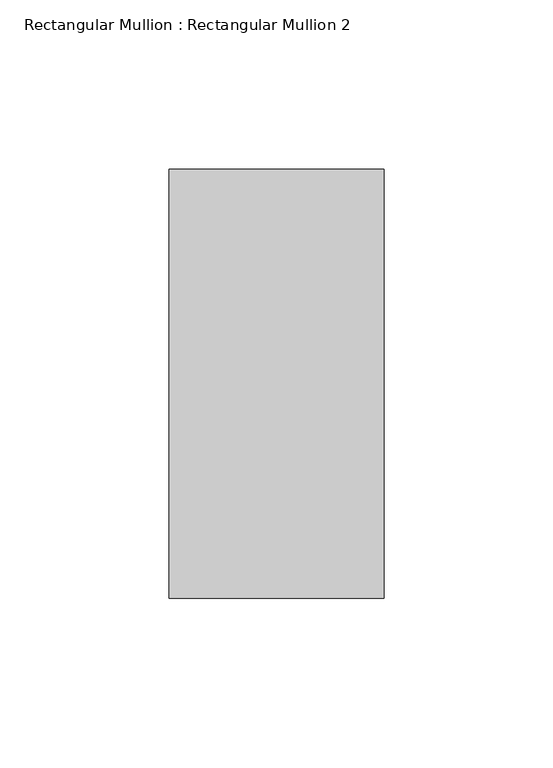
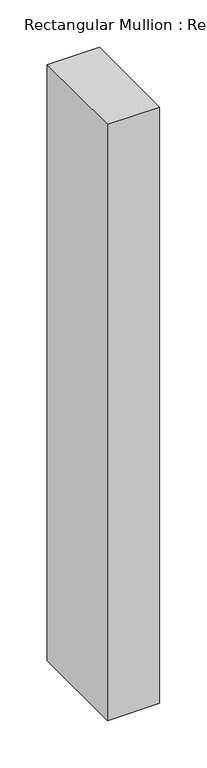
"""IFC4 building model written with IfcOpenShell, lengths in millimetres: member geometry, Rectangular Mullion : Rectangular Mullion 2."""

from ifc_helpers import new_model, si_unit, frame, origin, place, context, project, spatial, polyline, outline, extrude, source, transform, mapped, element, save


def rectangular_mullion_rectangular_mullion_2_e076b6dc(model_context):
    return source(origin(), model_context, "Body", "SweptSolid", [
        extrude(outline(polyline([(31.8, 188.5), (31.8, 61.5), (-31.8, 61.5), (-31.8, 188.5), (31.8, 188.5)])), frame((0.0, 0.0, -768.2), z_axis=(0.0, 0.0, 1.0), x_axis=(1.0, 0.0, 0.0)), (0.0, 0.0, 1.0), 768.2),
    ])


if __name__ == "__main__":
    model = new_model("IFC4")
    model_context = context("Model", 3, world=origin())
    ifc_project = project(units=[si_unit("LENGTHUNIT", "METRE", prefix="MILLI")], contexts=[model_context])
    site = spatial("IfcSite", under=ifc_project)
    building = spatial("IfcBuilding", under=site)
    placement = place(None, origin())
    rectangular_mullion_rectangular_mullion_2_shape = rectangular_mullion_rectangular_mullion_2_e076b6dc(model_context)
    element("IfcMember", 1, ObjectType="Rectangular Mullion : Rectangular Mullion 2", at=placement, inside=building, context=model_context, shape_type="MappedRepresentation", body=[
        mapped(rectangular_mullion_rectangular_mullion_2_shape, transform((0.0, 0.0, 0.0), x_axis=(1.0, 0.0, 0.0), y_axis=(0.0, 1.0, 0.0), z_axis=(0.0, 0.0, 1.0))),
    ])
    save(model, "model.ifc")
